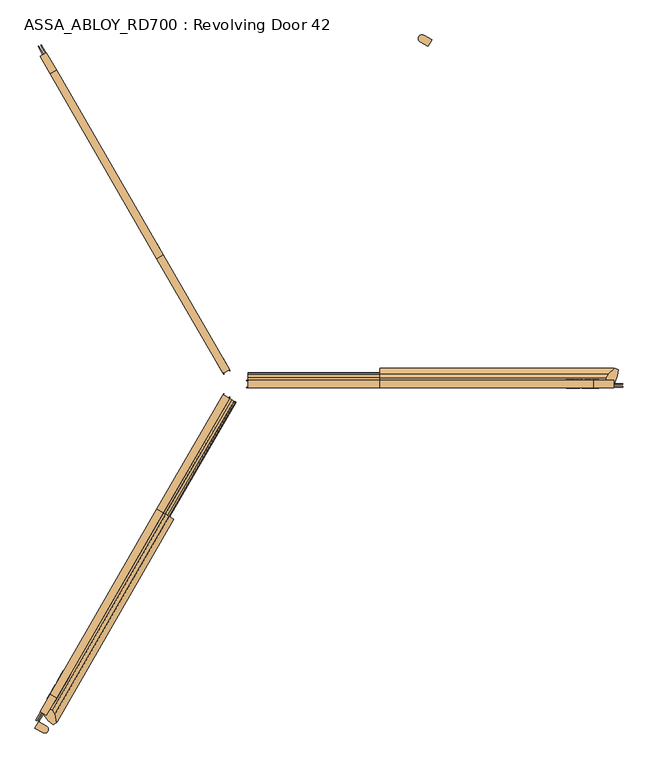
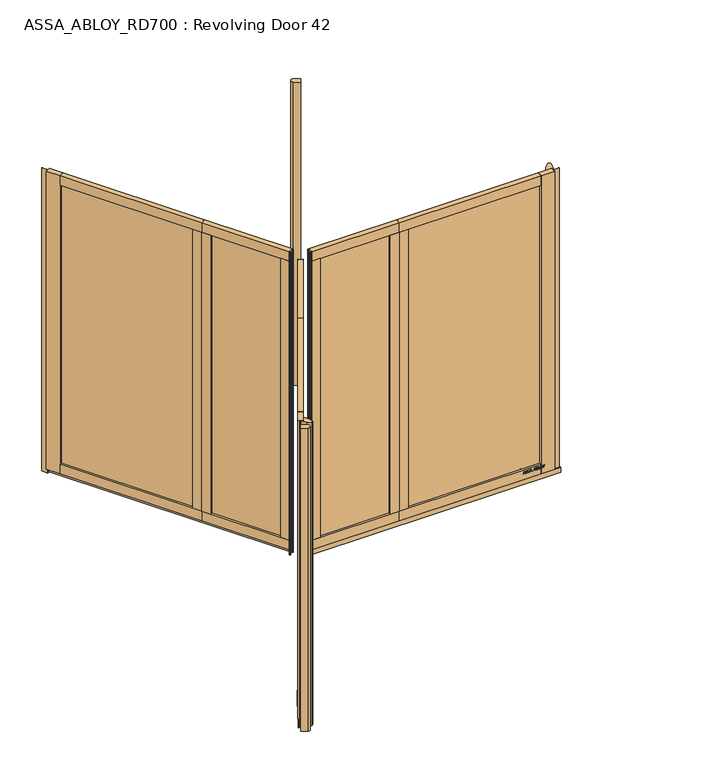
"""IFC4 building model written with IfcOpenShell, lengths in millimetres: door geometry, ASSA_ABLOY_RD700 : Revolving Door 42."""

from ifc_helpers import new_model, si_unit, point, frame, frame_2d, origin, origin_with_axes, origin_2d, place, context, project, spatial, polyline, circle_curve, trimmed, segment, composite_curve, outline, extrude, source, transform, mapped, element, save


def assa_abloy_rd700_revolving_door_42_c60bf62b(model_context):
    return source(origin(), model_context, "Body", "SweptSolid", [
        extrude(outline(composite_curve([segment(trimmed(circle_curve(origin_2d(), 2100.0), [point((-1050.0, -1818.6533479))], [point((-1006.4010686, -1843.1377836))], True, "CARTESIAN"), True, "CONTINUOUS"), segment(trimmed(circle_curve(frame_2d((-1016.8087591, -1860.2293376)), 20.011028), [point((-1006.4010686, -1843.1377836))], [point((-1026.4066339, -1877.7884391))], False, "CARTESIAN"), True, "CONTINUOUS"), segment(trimmed(circle_curve(origin_2d(), 2140.0), [point((-1026.4066339, -1877.7884391))], [point((-1070.0, -1853.2943641))], False, "CARTESIAN"), True, "CONTINUOUS"), segment(polyline([(-1070.0, -1853.2943641), (-1050.0, -1818.6533479)]), True, "CONTINUOUS")], self_intersect=False)), origin_with_axes(), (0.0, 0.0, 1.0), 2600.0),
        extrude(outline(composite_curve([segment(trimmed(circle_curve(origin_2d(), 2100.0), [point((1050.0, 1818.6533479))], [point((1006.4010686, 1843.1377836))], True, "CARTESIAN"), True, "CONTINUOUS"), segment(trimmed(circle_curve(frame_2d((1016.8087591, 1860.2293376)), 20.011028), [point((1006.4010686, 1843.1377836))], [point((1026.4066339, 1877.7884391))], False, "CARTESIAN"), True, "CONTINUOUS"), segment(trimmed(circle_curve(origin_2d(), 2140.0), [point((1026.4066339, 1877.7884391))], [point((1070.0, 1853.2943641))], False, "CARTESIAN"), True, "CONTINUOUS"), segment(polyline([(1070.0, 1853.2943641), (1050.0, 1818.6533479)]), True, "CONTINUOUS")], self_intersect=False)), origin_with_axes(), (0.0, 0.0, 1.0), 2600.0),
        extrude(outline(polyline([(-360.5155414, -620.9312417), (-50.5155414, -83.9954913), (-47.4844586, -85.7454878), (-357.4844586, -622.6812382), (-360.5155414, -620.9312417)])), frame((0.0, 0.0, 124.0), z_axis=(0.0, 0.0, 1.0), x_axis=(1.0, 0.0, 0.0)), (0.0, 0.0, 1.0), 2394.0),
        extrude(outline(polyline([(-971.5155414, -1679.2142851), (-433.5155414, -747.3709506), (-430.4844586, -749.1209471), (-968.4844586, -1680.9642816), (-971.5155414, -1679.2142851)])), frame((0.0, 0.0, 124.0), z_axis=(0.0, 0.0, 1.0), x_axis=(1.0, 0.0, 0.0)), (0.0, 0.0, 1.0), 2394.0),
        extrude(outline(polyline([(-952.6794919, -1690.0892833), (-987.3205081, -1670.0892833), (-412.8205081, -675.0260944), (-378.1794919, -695.0260944), (-952.6794919, -1690.0892833)])), frame((0.0, 0.0, 42.0), z_axis=(0.0, 0.0, 1.0), x_axis=(1.0, 0.0, 0.0)), (0.0, 0.0, 1.0), 82.0),
        extrude(outline(polyline([(-412.8205081, -675.0260944), (-378.1794919, -695.0260944), (-952.6794919, -1690.0892833), (-987.3205081, -1670.0892833), (-412.8205081, -675.0260944)])), frame((0.0, 0.0, 2518.0), z_axis=(0.0, 0.0, 1.0), x_axis=(1.0, 0.0, 0.0)), (0.0, 0.0, 1.0), 82.0),
        extrude(outline(polyline([(-378.1794919, -695.0260944), (-412.8205081, -675.0260944), (-376.3205081, -611.8062399), (-341.6794919, -631.8062399), (-378.1794919, -695.0260944)])), frame((0.0, 0.0, 124.0), z_axis=(0.0, 0.0, 1.0), x_axis=(1.0, 0.0, 0.0)), (0.0, 0.0, 1.0), 2394.0),
        extrude(outline(polyline([(-414.6794919, -758.2459489), (-449.3205081, -738.2459489), (-412.8205081, -675.0260944), (-378.1794919, -695.0260944), (-414.6794919, -758.2459489)])), frame((0.0, 0.0, 124.0), z_axis=(0.0, 0.0, 1.0), x_axis=(1.0, 0.0, 0.0)), (0.0, 0.0, 1.0), 2394.0),
        extrude(outline(polyline([(-24.2775681, -76.0499815), (-20.7775681, -69.9878037), (-18.1794919, -71.4878037), (-21.6794919, -77.5499815), (-24.2775681, -76.0499815)])), origin_with_axes(), (0.0, 0.0, 1.0), 2600.0),
        extrude(outline(polyline([(-56.6794919, -138.1717598), (-91.3205081, -118.1717598), (-56.3205081, -57.5499815), (-21.6794919, -77.5499815), (-56.6794919, -138.1717598)])), frame((0.0, 0.0, 124.0), z_axis=(0.0, 0.0, 1.0), x_axis=(1.0, 0.0, 0.0)), (0.0, 0.0, 1.0), 2394.0),
        extrude(outline(polyline([(-56.3205081, -57.5499815), (-21.6794919, -77.5499815), (-378.1794919, -695.0260944), (-412.8205081, -675.0260944), (-56.3205081, -57.5499815)])), frame((0.0, 0.0, 2518.0), z_axis=(0.0, 0.0, 1.0), x_axis=(1.0, 0.0, 0.0)), (0.0, 0.0, 1.0), 82.0),
        extrude(outline(polyline([(-987.3205081, -1670.0892833), (-952.6794919, -1690.0892833), (-1007.6794919, -1785.3520778), (-1042.3205081, -1765.3520778), (-987.3205081, -1670.0892833)])), frame((0.0, 0.0, 42.0), z_axis=(0.0, 0.0, 1.0), x_axis=(1.0, 0.0, 0.0)), (0.0, 0.0, 1.0), 2558.0),
        extrude(outline(polyline([(-1051.5155414, -1817.7783497), (-1026.5155414, -1774.4770795), (-1023.4844586, -1776.227076), (-1048.4844586, -1819.5283462), (-1051.5155414, -1817.7783497)])), origin_with_axes(), (0.0, 0.0, 1.0), 2600.0),
        extrude(outline(polyline([(-378.1794919, -695.0260944), (-412.8205081, -675.0260944), (-56.3205081, -57.5499815), (-21.6794919, -77.5499815), (-378.1794919, -695.0260944)])), frame((0.0, 0.0, 42.0), z_axis=(0.0, 0.0, 1.0), x_axis=(1.0, 0.0, 0.0)), (0.0, 0.0, 1.0), 82.0),
        extrude(outline(polyline([(-50.2224319, -52.9878037), (-53.7224319, -59.0499815), (-56.3205081, -57.5499815), (-52.8205081, -51.4878037), (-50.2224319, -52.9878037)])), origin_with_axes(), (0.0, 0.0, 1.0), 2600.0),
        extrude(outline(polyline([(-1064.7224319, -1810.1533479), (-53.7224319, -59.0499815), (-49.5655099, -61.4499815), (-1060.5655099, -1812.5533479), (-1064.7224319, -1810.1533479)])), origin_with_axes(), (0.0, 0.0, 1.0), 42.0),
        extrude(outline(polyline([(-21.1919362, 0.0), (0.0, 0.0), (1.2354289, -3.3526833), (-14.8894584, -17.1035441), (-15.8652682, -14.4554101), (-11.2716326, -10.6269535), (-14.2348715, -2.5853724), (-20.214336, -2.6529929), (-21.1919362, 0.0)]), holes=[polyline([(-11.7626281, -2.5849675), (-9.3848751, -9.0376682), (-1.6611384, -2.5160752), (-11.7626281, -2.5849675)])]), frame((-960.3315201, -1707.342985, 111.8848654), z_axis=(-0.8660254037844339, 0.5000000000000084, 0.0), x_axis=(-0.17288098849125705, -0.2994386557295809, 0.9383222555567716)), (0.0, 0.0, 1.0), 2.0),
        extrude(outline(polyline([(-3.5121291, 0.0), (0.0, 0.0), (2.8187321, -2.6852579), (4.250422, -5.1162245), (5.5118808, -7.3434952), (7.3063201, -9.1972246), (9.3614355, -9.1814983), (11.0208469, -7.1616301), (10.6514742, -3.4882218), (8.71119, 0.0484616), (6.0403681, 2.6484111), (9.0699595, 3.711135), (11.0920114, 1.0208016), (12.7977466, -2.5981572), (13.1300796, -8.3561656), (9.9996043, -11.7673439), (6.2388816, -11.6844271), (3.0893834, -8.4786223), (1.8238571, -6.2006453), (0.6628891, -4.2207409), (-0.9295188, -2.6144294), (-2.9863484, -2.6252693), (-4.8029446, -4.7524082), (-4.3562346, -8.76362), (-2.4447822, -12.1320668), (0.6567353, -15.0446472), (-2.5145629, -16.1570791), (-4.824798, -13.2083907), (-6.5093631, -9.6341389), (-7.2092232, -6.1919012), (-6.787432, -3.3659463), (-5.4926863, -1.2764387), (-3.5121291, 0.0)])), frame((-948.4666248, -1686.7923835, 100.999973), z_axis=(-0.8660254037844338, 0.5000000000000083, 0.0), x_axis=(-0.1655035508100891, -0.2866605588361252, 0.9436282629706535)), (0.0, 0.0, 1.0), 2.0),
        extrude(outline(polyline([(-3.5121291, 0.0), (0.0, 0.0), (2.8187321, -2.6852579), (4.250422, -5.1162245), (5.5118808, -7.3434952), (7.3063201, -9.1972246), (9.3614355, -9.1814983), (11.0208469, -7.1616301), (10.6514742, -3.4882218), (8.71119, 0.0484616), (6.0403681, 2.6484111), (9.0699595, 3.711135), (11.0920114, 1.0208016), (12.7977466, -2.5981572), (13.1300796, -8.3561656), (9.9996043, -11.7673439), (6.2388816, -11.6844271), (3.0893834, -8.4786223), (1.8238571, -6.2006453), (0.6628891, -4.2207409), (-0.9295188, -2.6144294), (-2.9863484, -2.6252693), (-4.8029446, -4.7524082), (-4.3562346, -8.76362), (-2.4447822, -12.1320668), (0.6567353, -15.0446472), (-2.5145629, -16.1570791), (-4.824798, -13.2083907), (-6.5093631, -9.6341389), (-7.2092232, -6.1919012), (-6.787432, -3.3659463), (-5.4926863, -1.2764387), (-3.5121291, 0.0)])), frame((-939.0213137, -1670.4326248, 100.999973), z_axis=(-0.8660254037844338, 0.5000000000000083, 0.0), x_axis=(-0.1655035508100891, -0.2866605588361252, 0.9436282629706535)), (0.0, 0.0, 1.0), 2.0),
        extrude(outline(polyline([(-21.1919362, 0.0), (0.0, 0.0), (1.2354289, -3.3526833), (-14.8894584, -17.1035441), (-15.8652682, -14.4554101), (-11.2716326, -10.6269535), (-14.2348715, -2.5853723), (-20.214336, -2.6529929), (-21.1919362, 0.0)]), holes=[polyline([(-11.7626281, -2.5849674), (-9.3848751, -9.0376682), (-1.6611384, -2.5160752), (-11.7626281, -2.5849674)])]), frame((-931.9955869, -1658.2637089, 111.8848654), z_axis=(-0.8660254037844339, 0.5000000000000084, 0.0), x_axis=(-0.17288098849125705, -0.2994386557295809, 0.9383222555567716)), (0.0, 0.0, 1.0), 2.0),
        extrude(outline(polyline([(-21.1919362, 0.0), (0.0, 0.0), (1.2354289, -3.3526833), (-14.8894584, -17.1035441), (-15.8652682, -14.4554101), (-11.2716326, -10.6269535), (-14.2348715, -2.5853724), (-20.214336, -2.6529929), (-21.1919362, 0.0)]), holes=[polyline([(-11.7626281, -2.5849675), (-9.3848751, -9.0376682), (-1.6611384, -2.5160752), (-11.7626281, -2.5849675)])]), frame((-917.7447666, -1633.5805642, 111.8848654), z_axis=(-0.8660254037844339, 0.5000000000000084, 0.0), x_axis=(-0.17288098849125705, -0.2994386557295809, 0.9383222555567716)), (0.0, 0.0, 1.0), 2.0),
        extrude(outline(polyline([(-3.6247797, -1e-07), (0.0, 0.0), (2.8147562, -2.4211002), (3.7068839, -0.0321766), (5.7320771, 1.441087), (7.9241126, 1.6554025), (9.8352432, 0.5920774), (11.1479956, -1.1951535), (12.3716711, -4.2930709), (14.3144162, -9.9880648), (-4.5055294, -16.4081519), (-6.8194358, -9.6251298), (-7.5842828, -6.2202288), (-7.204982, -3.4426963), (-5.9232413, -1.3859292), (-3.6247797, -1e-07)]), holes=[polyline([(5.2214253, -2.9241787), (4.7734732, -6.6552625), (5.9304264, -10.0467735), (11.2627443, -8.2277488), (10.1960736, -5.1008934), (9.3653605, -2.9303688), (5.2214253, -2.9241787)]), polyline([(-2.8765906, -2.5461079), (-4.3679308, -3.4351117), (-5.1102534, -4.8838351), (-5.1175974, -6.8751818), (-4.3362091, -9.7190964), (-3.1658807, -13.1498156), (3.734766, -10.7957837), (2.347091, -6.7279308), (1.5099769, -4.5787397), (0.5832315, -3.1932876), (-0.9746905, -2.2912471), (-2.8765906, -2.5461079)])]), frame((-905.5523407, -1612.4626629, 101.561824), z_axis=(-0.8660254037844338, 0.5000000000000084, 0.0), x_axis=(-0.16143149534182394, -0.27960755187385133, 0.9464457138403736)), (0.0, 0.0, 1.0), 2.0),
        extrude(outline(polyline([(-2.319901, 0.0), (0.0, 0.0), (0.0, -9.9424327), (17.5649644, -9.9424327), (17.5649644, -12.5937481), (-2.319901, -12.5937481), (-2.319901, 0.0)])), frame((-896.8475337, -1597.385495, 94.319901), z_axis=(-0.8660254037844338, 0.5000000000000084, 0.0), x_axis=(0.0, 0.0, 1.0)), (0.0, 0.0, 1.0), 2.0),
        extrude(outline(polyline([(-3.4755122, 0.0), (0.0, 0.0), (3.5095377, -1.5864764), (6.1998493, -4.2905332), (7.4345588, -7.5668217), (7.0812776, -11.3109182), (5.1361655, -15.2239686), (2.1257687, -18.4422905), (-1.2097864, -20.048671), (-4.7147757, -20.0502836), (-8.2007386, -18.4707048), (-10.9175762, -15.7640054), (-12.1283676, -12.475947), (-11.7934802, -8.7947164), (-9.8417791, -4.8358203), (-6.8343334, -1.6217536), (-3.4755122, 0.0)]), holes=[polyline([(-7.6631689, -6.3468237), (-9.5892893, -12.1951337), (-6.8871209, -16.5585186), (-1.8513939, -17.5618518), (2.9575554, -13.7129652), (4.8960978, -7.8921765), (2.1788995, -3.4868579), (-2.8864763, -2.494471), (-7.6631689, -6.3468237)])]), frame((-889.5706568, -1584.7815745, 111.5197917), z_axis=(-0.8660254037844339, 0.5000000000000084, 0.0), x_axis=(-0.4108545755708709, -0.7116209994108794, 0.5699070721880372)), (0.0, 0.0, 1.0), 2.0),
        extrude(outline(polyline([(-3.1691504, 0.0), (0.0, 0.0), (5.4320896, -8.8964059), (10.921141, 0.0), (14.0643996, 0.0), (6.7732823, -11.4441543), (6.7732823, -19.8848654), (4.1219669, -19.8848654), (4.1219669, -11.1645234), (-3.1691504, 0.0)])), frame((-879.0443651, -1566.5495024, 111.8848654), z_axis=(-0.8660254037844338, 0.5000000000000084, 0.0), x_axis=(-0.5000000000000084, -0.8660254037844338, 0.0)), (0.0, 0.0, 1.0), 2.0),
        extrude(outline(polyline([(21.1919362, 0.0), (20.214336, -2.6529929), (14.2348715, -2.5853723), (11.2716326, -10.6269535), (15.8652682, -14.4554101), (14.8894584, -17.103544), (-1.2354289, -3.3526833), (0.0, 0.0), (21.1919362, 0.0)]), holes=[polyline([(11.7626281, -2.5849674), (1.6611384, -2.5160752), (9.3848751, -9.0376682), (11.7626281, -2.5849674)])]), frame((-919.614485, -1552.8190114, 111.8848654), z_axis=(-0.866025403784437, 0.5000000000000029, 0.0), x_axis=(-0.17288098849125513, -0.299438655729582, -0.9383222555567716)), (0.0, 0.0, 1.0), 2.0),
        extrude(outline(polyline([(3.5121291, 0.0), (5.4926863, -1.2764387), (6.787432, -3.3659463), (7.2092232, -6.1919011), (6.5093631, -9.6341389), (4.8247981, -13.2083905), (2.5145629, -16.157079), (-0.6567352, -15.0446471), (2.4447823, -12.1320668), (4.3562346, -8.76362), (4.8029446, -4.7524081), (2.9863484, -2.6252692), (0.9295188, -2.6144293), (-0.6628891, -4.2207408), (-1.8238571, -6.2006452), (-3.0893834, -8.4786223), (-6.2388815, -11.6844271), (-9.9996043, -11.7673438), (-13.1300796, -8.3561656), (-12.7977466, -2.5981571), (-11.0920114, 1.0208017), (-9.0699595, 3.711135), (-6.0403681, 2.6484111), (-8.71119, 0.0484617), (-10.6514742, -3.4882218), (-11.0208469, -7.16163), (-9.3614355, -9.1814982), (-7.3063201, -9.1972245), (-5.5118807, -7.3434952), (-4.250422, -5.1162244), (-2.8187321, -2.6852579), (0.0, 0.0), (3.5121291, 0.0)])), frame((-931.4793803, -1573.3696129, 100.999973), z_axis=(-0.8660254037844372, 0.5000000000000029, 0.0), x_axis=(-0.16550355081008727, -0.28666055883612623, -0.9436282629706535)), (0.0, 0.0, 1.0), 2.0),
        extrude(outline(polyline([(3.5121291, 0.0), (5.4926863, -1.2764387), (6.787432, -3.3659463), (7.2092232, -6.1919011), (6.5093631, -9.6341389), (4.8247981, -13.2083906), (2.5145629, -16.157079), (-0.6567352, -15.0446471), (2.4447823, -12.1320668), (4.3562346, -8.76362), (4.8029446, -4.7524081), (2.9863484, -2.6252693), (0.9295188, -2.6144293), (-0.6628891, -4.2207409), (-1.8238571, -6.2006453), (-3.0893834, -8.4786223), (-6.2388815, -11.6844271), (-9.9996043, -11.7673438), (-13.1300796, -8.3561656), (-12.7977466, -2.5981571), (-11.0920114, 1.0208017), (-9.0699595, 3.711135), (-6.0403681, 2.6484111), (-8.71119, 0.0484617), (-10.6514742, -3.4882218), (-11.0208469, -7.16163), (-9.3614355, -9.1814982), (-7.3063201, -9.1972245), (-5.5118807, -7.3434952), (-4.250422, -5.1162244), (-2.8187321, -2.6852579), (0.0, 0.0), (3.5121291, 0.0)])), frame((-940.9246914, -1589.7293716, 100.999973), z_axis=(-0.8660254037844372, 0.5000000000000029, 0.0), x_axis=(-0.16550355081008727, -0.28666055883612623, -0.9436282629706535)), (0.0, 0.0, 1.0), 2.0),
        extrude(outline(polyline([(21.1919362, 0.0), (20.214336, -2.6529929), (14.2348715, -2.5853724), (11.2716326, -10.6269535), (15.8652682, -14.4554101), (14.8894584, -17.1035441), (-1.2354289, -3.3526833), (0.0, 0.0), (21.1919362, 0.0)]), holes=[polyline([(11.7626281, -2.5849675), (1.6611384, -2.5160752), (9.3848751, -9.0376682), (11.7626281, -2.5849675)])]), frame((-947.9504183, -1601.8982875, 111.8848654), z_axis=(-0.866025403784437, 0.5000000000000029, 0.0), x_axis=(-0.17288098849125513, -0.299438655729582, -0.9383222555567716)), (0.0, 0.0, 1.0), 2.0),
        extrude(outline(polyline([(21.1919362, 0.0), (20.214336, -2.6529929), (14.2348715, -2.5853723), (11.2716326, -10.6269535), (15.8652682, -14.4554101), (14.8894584, -17.103544), (-1.2354289, -3.3526833), (0.0, 0.0), (21.1919362, 0.0)]), holes=[polyline([(11.7626281, -2.5849674), (1.6611384, -2.5160752), (9.3848751, -9.0376682), (11.7626281, -2.5849674)])]), frame((-962.2012385, -1626.5814322, 111.8848654), z_axis=(-0.866025403784437, 0.5000000000000029, 0.0), x_axis=(-0.17288098849125513, -0.299438655729582, -0.9383222555567716)), (0.0, 0.0, 1.0), 2.0),
        extrude(outline(polyline([(3.6247797, -1e-07), (5.9232413, -1.3859292), (7.204982, -3.4426963), (7.5842828, -6.2202288), (6.8194358, -9.6251298), (4.5055294, -16.408152), (-14.3144162, -9.9880649), (-12.3716711, -4.2930708), (-11.1479956, -1.1951535), (-9.8352433, 0.5920774), (-7.9241126, 1.6554024), (-5.7320771, 1.441087), (-3.7068839, -0.0321766), (-2.8147562, -2.4211002), (0.0, 0.0), (3.6247797, -1e-07)]), holes=[polyline([(-5.2214253, -2.9241787), (-9.3653605, -2.9303688), (-10.1960736, -5.1008933), (-11.2627443, -8.2277489), (-5.9304264, -10.0467736), (-4.7734732, -6.6552625), (-5.2214253, -2.9241787)]), polyline([(2.8765906, -2.5461079), (0.9746905, -2.291247), (-0.5832315, -3.1932876), (-1.5099769, -4.5787397), (-2.347091, -6.7279309), (-3.7347661, -10.7957837), (3.1658807, -13.1498157), (4.3362091, -9.7190964), (5.1175974, -6.8751818), (5.1102533, -4.8838352), (4.3679308, -3.4351118), (2.8765906, -2.5461079)])]), frame((-974.3936645, -1647.6993335, 101.561824), z_axis=(-0.8660254037844369, 0.5000000000000028, 0.0), x_axis=(-0.16143149534182213, -0.2796075518738524, -0.9464457138403736)), (0.0, 0.0, 1.0), 2.0),
        extrude(outline(polyline([(2.319901, 0.0), (2.319901, -12.5937481), (-17.5649644, -12.5937481), (-17.5649644, -9.9424327), (0.0, -9.9424327), (0.0, 0.0), (2.319901, 0.0)])), frame((-983.0984715, -1662.7765014, 94.319901), z_axis=(-0.866025403784437, 0.5000000000000029, 0.0), x_axis=(0.0, 0.0, -1.0)), (0.0, 0.0, 1.0), 2.0),
        extrude(outline(polyline([(3.4755123, 0.0), (6.8343334, -1.6217536), (9.8417791, -4.8358203), (11.7934802, -8.7947164), (12.1283676, -12.475947), (10.9175762, -15.7640054), (8.2007386, -18.4707048), (4.7147757, -20.0502836), (1.2097864, -20.048671), (-2.1257686, -18.4422905), (-5.1361655, -15.2239686), (-7.0812776, -11.3109182), (-7.4345587, -7.5668216), (-6.1998493, -4.2905332), (-3.5095377, -1.5864764), (0.0, 0.0), (3.4755123, 0.0)]), holes=[polyline([(7.663169, -6.3468237), (2.8864763, -2.494471), (-2.1788995, -3.4868579), (-4.8960978, -7.8921765), (-2.9575554, -13.7129652), (1.8513939, -17.5618518), (6.8871209, -16.5585186), (9.5892894, -12.1951337), (7.663169, -6.3468237)])]), frame((-990.3753483, -1675.3804219, 111.5197917), z_axis=(-0.866025403784437, 0.5000000000000028, 0.0), x_axis=(-0.4108545755708663, -0.7116209994108821, -0.5699070721880372)), (0.0, 0.0, 1.0), 2.0),
        extrude(outline(polyline([(3.1691504, 0.0), (-4.121967, -11.1645234), (-4.121967, -19.8848654), (-6.7732823, -19.8848654), (-6.7732823, -11.4441543), (-14.0643996, 0.0), (-10.921141, 0.0), (-5.4320896, -8.8964059), (0.0, 0.0), (3.1691504, 0.0)])), frame((-1000.9016401, -1693.612494, 111.8848654), z_axis=(-0.866025403784437, 0.5000000000000029, 0.0), x_axis=(-0.5000000000000029, -0.866025403784437, 0.0)), (0.0, 0.0, 1.0), 2.0),
        extrude(outline(polyline([(26.6515221, 0.0), (-24.0034278, -19.9844491), (-57.4313185, -25.5557642), (-65.7800894, -7.1605958), (-35.4734857, 27.0878672), (-13.9731118, 39.4978266), (0.0, 39.5498894), (0.0, 0.0), (26.6515221, 0.0)])), frame((-1007.6794919, -1785.3520778, 42.0), z_axis=(0.5000000000000028, 0.8660254037844372, 0.0), x_axis=(-0.8660254037844372, 0.5000000000000028, 0.0)), (0.0, 0.0, 1.0), 1259.0),
        extrude(outline(polyline([(33.1204549, 0.0), (-29.2477892, -28.4956234), (-41.1595702, -16.5838424), (-37.5120241, 2.8258245), (-28.8456008, 22.8930528), (-13.0431774, 37.4022447), (0.0, 37.4557851), (0.0, 0.0), (33.1204549, 0.0)])), frame((-378.1794919, -695.0260944, 42.0), z_axis=(0.5000000000000028, 0.8660254037844372, 0.0), x_axis=(-0.8660254037844372, 0.5000000000000028, 0.0)), (0.0, 0.0, 1.0), 713.0),
        extrude(outline(polyline([(-1030.7603871, -1772.0263167), (-1007.6794919, -1785.3520778), (-987.9045472, -1751.1008688), (-975.8295087, -1758.1325124), (-963.4146184, -1779.6300395), (-954.2925614, -1824.4433803), (-970.7203932, -1836.199678), (-996.8841382, -1814.6608322), (-1030.7603871, -1772.0263167)])), origin_with_axes(), (0.0, 0.0, 1.0), 2600.0),
        extrude(outline(polyline([(718.0, -1.7499965), (98.0, -1.7499965), (98.0, 1.7499965), (718.0, 1.7499965), (718.0, -1.7499965)])), frame((0.0, 0.0, 124.0), z_axis=(0.0, 0.0, 1.0), x_axis=(1.0, 0.0, 0.0)), (0.0, 0.0, 1.0), 2394.0),
        extrude(outline(polyline([(1940.0, -1.7499965), (864.0, -1.7499965), (864.0, 1.7499965), (1940.0, 1.7499965), (1940.0, -1.7499965)])), frame((0.0, 0.0, 124.0), z_axis=(0.0, 0.0, 1.0), x_axis=(1.0, 0.0, 0.0)), (0.0, 0.0, 1.0), 2394.0),
        extrude(outline(polyline([(1940.0, 20.0), (1940.0, -20.0), (791.0, -20.0), (791.0, 20.0), (1940.0, 20.0)])), frame((0.0, 0.0, 42.0), z_axis=(0.0, 0.0, 1.0), x_axis=(1.0, 0.0, 0.0)), (0.0, 0.0, 1.0), 82.0),
        extrude(outline(polyline([(791.0, -20.0), (791.0, 20.0), (1940.0, 20.0), (1940.0, -20.0), (791.0, -20.0)])), frame((0.0, 0.0, 2518.0), z_axis=(0.0, 0.0, 1.0), x_axis=(1.0, 0.0, 0.0)), (0.0, 0.0, 1.0), 82.0),
        extrude(outline(polyline([(791.0, 20.0), (791.0, -20.0), (718.0, -20.0), (718.0, 20.0), (791.0, 20.0)])), frame((0.0, 0.0, 124.0), z_axis=(0.0, 0.0, 1.0), x_axis=(1.0, 0.0, 0.0)), (0.0, 0.0, 1.0), 2394.0),
        extrude(outline(polyline([(864.0, 20.0), (864.0, -20.0), (791.0, -20.0), (791.0, 20.0), (864.0, 20.0)])), frame((0.0, 0.0, 124.0), z_axis=(0.0, 0.0, 1.0), x_axis=(1.0, 0.0, 0.0)), (0.0, 0.0, 1.0), 2394.0),
        extrude(outline(polyline([(78.0, 17.0), (71.0, 17.0), (71.0, 20.0), (78.0, 20.0), (78.0, 17.0)])), origin_with_axes(), (0.0, 0.0, 1.0), 2600.0),
        extrude(outline(polyline([(148.0, 20.0), (148.0, -20.0), (78.0, -20.0), (78.0, 20.0), (148.0, 20.0)])), frame((0.0, 0.0, 124.0), z_axis=(0.0, 0.0, 1.0), x_axis=(1.0, 0.0, 0.0)), (0.0, 0.0, 1.0), 2394.0),
        extrude(outline(polyline([(78.0, -20.0), (78.0, 20.0), (791.0, 20.0), (791.0, -20.0), (78.0, -20.0)])), frame((0.0, 0.0, 2518.0), z_axis=(0.0, 0.0, 1.0), x_axis=(1.0, 0.0, 0.0)), (0.0, 0.0, 1.0), 82.0),
        extrude(outline(polyline([(1940.0, -20.0), (1940.0, 20.0), (2050.0, 20.0), (2050.0, -20.0), (1940.0, -20.0)])), frame((0.0, 0.0, 42.0), z_axis=(0.0, 0.0, 1.0), x_axis=(1.0, 0.0, 0.0)), (0.0, 0.0, 1.0), 2558.0),
        extrude(outline(polyline([(2100.0, -1.7499965), (2050.0, -1.7499965), (2050.0, 1.7499965), (2100.0, 1.7499965), (2100.0, -1.7499965)])), origin_with_axes(), (0.0, 0.0, 1.0), 2600.0),
        extrude(outline(polyline([(791.0, 20.0), (791.0, -20.0), (78.0, -20.0), (78.0, 20.0), (791.0, 20.0)])), frame((0.0, 0.0, 42.0), z_axis=(0.0, 0.0, 1.0), x_axis=(1.0, 0.0, 0.0)), (0.0, 0.0, 1.0), 82.0),
        extrude(outline(polyline([(71.0, -17.0), (78.0, -17.0), (78.0, -20.0), (71.0, -20.0), (71.0, -17.0)])), origin_with_axes(), (0.0, 0.0, 1.0), 2600.0),
        extrude(outline(polyline([(2100.0, -17.0), (78.0, -17.0), (78.0, -12.2), (2100.0, -12.2), (2100.0, -17.0)])), origin_with_axes(), (0.0, 0.0, 1.0), 42.0),
        extrude(outline(polyline([(92.0, 1951.4407922), (92.0, 1954.2681716), (97.6340452, 1956.2721931), (97.6340452, 1964.842363), (92.0, 1966.8463846), (92.0, 1969.6685856), (111.8848654, 1962.3412198), (111.8848654, 1958.768158), (92.0, 1951.4407922)]), holes=[polyline([(99.9539462, 1957.126621), (109.4562191, 1960.5546889), (99.9539462, 1964.0034703), (99.9539462, 1957.126621)])]), frame((0.0, 20.0, 0.0), z_axis=(0.0, 1.0, 0.0), x_axis=(0.0, 0.0, 1.0)), (0.0, 0.0, 1.0), 2.0),
        extrude(outline(polyline([(97.6858287, 1933.8758278), (95.3944087, 1934.4247329), (93.4810082, 1935.9678813), (92.147583, 1938.4949163), (91.6685856, 1941.9747678), (92.0750861, 1945.9051357), (93.2790525, 1949.4523057), (96.6398019, 1949.4523057), (94.6772071, 1945.6772883), (93.9884865, 1941.8660224), (94.8946979, 1937.9330653), (97.3129875, 1936.5271432), (99.2574581, 1937.1977395), (100.2283987, 1939.2405988), (100.6685585, 1941.4931812), (101.1087183, 1944.061643), (103.0195296, 1948.1292372), (106.5408079, 1949.4523057), (110.6239371, 1947.269631), (112.2162799, 1941.7262069), (111.804601, 1937.7466447), (110.7870552, 1934.5386566), (107.5764779, 1934.5386566), (109.2361392, 1937.8761034), (109.8963789, 1941.8556657), (109.0290052, 1945.4442625), (106.794547, 1946.8009903), (104.8500765, 1946.1355723), (103.7703904, 1943.7923687), (103.3172847, 1941.2731013), (102.7709688, 1938.505273), (100.999973, 1935.0383674), (97.6858287, 1933.8758278)])), frame((0.0, 20.0, 0.0), z_axis=(0.0, 1.0, 0.0), x_axis=(0.0, 0.0, 1.0)), (0.0, 0.0, 1.0), 2.0),
        extrude(outline(polyline([(97.6858287, 1914.9852056), (95.3944087, 1915.5341107), (93.4810082, 1917.0772591), (92.147583, 1919.6042941), (91.6685856, 1923.0841456), (92.0750861, 1927.0145135), (93.2790525, 1930.5616835), (96.6398019, 1930.5616835), (94.6772071, 1926.7866661), (93.9884865, 1922.9754002), (94.8946979, 1919.0424431), (97.3129875, 1917.636521), (99.2574581, 1918.3071174), (100.2283987, 1920.3499766), (100.6685585, 1922.602559), (101.1087183, 1925.1710208), (103.0195296, 1929.238615), (106.5408079, 1930.5616835), (110.6239371, 1928.3790088), (112.2162799, 1922.8355848), (111.804601, 1918.8560225), (110.7870552, 1915.6480344), (107.5764779, 1915.6480344), (109.2361392, 1918.9854813), (109.8963789, 1922.9650435), (109.0290052, 1926.5536403), (106.794547, 1927.9103681), (104.8500765, 1927.2449501), (103.7703904, 1924.9017466), (103.3172847, 1922.3824791), (102.7709688, 1919.6146508), (100.999973, 1916.1477453), (97.6858287, 1914.9852056)])), frame((0.0, 20.0, 0.0), z_axis=(0.0, 1.0, 0.0), x_axis=(0.0, 0.0, 1.0)), (0.0, 0.0, 1.0), 2.0),
        extrude(outline(polyline([(92.0, 1894.7689257), (92.0, 1897.596305), (97.6340452, 1899.6003266), (97.6340452, 1908.1704965), (92.0, 1910.1745181), (92.0, 1912.996719), (111.8848654, 1905.6693533), (111.8848654, 1902.0962915), (92.0, 1894.7689257)]), holes=[polyline([(99.9539462, 1900.4547544), (109.4562191, 1903.8828224), (99.9539462, 1907.3316037), (99.9539462, 1900.4547544)])]), frame((0.0, 20.0, 0.0), z_axis=(0.0, 1.0, 0.0), x_axis=(0.0, 0.0, 1.0)), (0.0, 0.0, 1.0), 2.0),
        extrude(outline(polyline([(92.0, 1866.2672852), (92.0, 1869.0946645), (97.6340452, 1871.0986861), (97.6340452, 1879.668856), (92.0, 1881.6728776), (92.0, 1884.4950786), (111.8848654, 1877.1677128), (111.8848654, 1873.594651), (92.0, 1866.2672852)]), holes=[polyline([(99.9539462, 1871.953114), (109.4562191, 1875.3811819), (99.9539462, 1878.8299633), (99.9539462, 1871.953114)])]), frame((0.0, 20.0, 0.0), z_axis=(0.0, 1.0, 0.0), x_axis=(0.0, 0.0, 1.0)), (0.0, 0.0, 1.0), 2.0),
        extrude(outline(polyline([(98.1311668, 1848.0394919), (95.5083324, 1848.6091105), (93.6311804, 1850.1419022), (92.3754304, 1852.6482237), (92.0, 1856.1177185), (92.0, 1863.2845554), (111.8848654, 1863.2845554), (111.8848654, 1857.2673123), (111.7269258, 1853.9402222), (111.0615077, 1851.824866), (109.5960346, 1850.2014532), (107.4521975, 1849.696564), (105.0597997, 1850.4370681), (103.4441543, 1852.4100196), (101.561824, 1849.2097991), (98.1311668, 1848.0394919)]), holes=[polyline([(105.5595105, 1853.6631804), (109.4795217, 1855.0069623), (109.5649645, 1857.3294525), (109.5649645, 1860.63324), (103.9309193, 1860.63324), (103.9309193, 1857.0498216), (105.5595105, 1853.6631804)]), polyline([(98.0172431, 1850.6908073), (99.8995735, 1851.0636485), (101.0828266, 1852.4203763), (101.5126296, 1854.0308433), (101.6110183, 1856.3352092), (101.6110183, 1860.63324), (94.319901, 1860.63324), (94.319901, 1857.0083948), (94.4985541, 1854.0645026), (95.148437, 1852.1821722), (96.3187442, 1851.0507027), (98.0172431, 1850.6908073)])]), frame((0.0, 20.0, 0.0), z_axis=(0.0, 1.0, 0.0), x_axis=(0.0, 0.0, 1.0)), (0.0, 0.0, 1.0), 2.0),
        extrude(outline(polyline([(92.0, 1831.8001851), (92.0, 1844.3939332), (111.8848654, 1844.3939332), (111.8848654, 1841.7426179), (94.319901, 1841.7426179), (94.319901, 1831.8001851), (92.0, 1831.8001851)])), frame((0.0, 20.0, 0.0), z_axis=(0.0, 1.0, 0.0), x_axis=(0.0, 0.0, 1.0)), (0.0, 0.0, 1.0), 2.0),
        extrude(outline(polyline([(109.5390727, 1814.3905712), (106.292247, 1812.554846), (101.9372544, 1811.9153197), (97.571905, 1812.5677918), (94.3561494, 1814.3905712), (92.3443603, 1817.2593773), (91.6685856, 1821.0343947), (92.3573062, 1824.7990554), (94.3561494, 1827.6782182), (97.5770834, 1829.5035867), (101.9372544, 1830.143113), (106.2611769, 1829.5113543), (109.5390727, 1827.6678615), (111.5275593, 1824.7861095), (112.2162799, 1821.0343947), (111.5197917, 1817.2464314), (109.5390727, 1814.3905712)]), holes=[polyline([(101.9372544, 1814.5666351), (107.8250388, 1816.2962041), (109.8963789, 1821.024038), (107.8250388, 1825.7674069), (101.9372544, 1827.4917976), (96.0339349, 1825.7337477), (93.9884865, 1821.024038), (96.0339349, 1816.3169175), (101.9372544, 1814.5666351)])]), frame((0.0, 20.0, 0.0), z_axis=(0.0, 1.0, 0.0), x_axis=(0.0, 0.0, 1.0)), (0.0, 0.0, 1.0), 2.0),
        extrude(outline(polyline([(111.8848654, 1793.0246975), (100.720342, 1800.3158148), (92.0, 1800.3158148), (92.0, 1802.9671302), (100.4407111, 1802.9671302), (111.8848654, 1810.2582476), (111.8848654, 1807.1149889), (102.9884595, 1801.6259375), (111.8848654, 1796.1938479), (111.8848654, 1793.0246975)])), frame((0.0, 20.0, 0.0), z_axis=(0.0, 1.0, 0.0), x_axis=(0.0, 0.0, 1.0)), (0.0, 0.0, 1.0), 2.0),
        extrude(outline(polyline([(92.0, 1811.9153197), (111.8848654, 1804.5879539), (111.8848654, 1801.0148921), (92.0, 1793.6875264), (92.0, 1796.5097273), (97.6340452, 1798.5137489), (97.6340452, 1807.0839188), (92.0, 1809.0879404), (92.0, 1811.9153197)]), holes=[polyline([(99.9539462, 1806.229491), (99.9539462, 1799.3526417), (109.4562191, 1802.801423), (99.9539462, 1806.229491)])]), frame((0.0, -22.0, 0.0), z_axis=(0.0, 1.0, 0.0), x_axis=(0.0, 0.0, 1.0)), (0.0, 0.0, 1.0), 2.0),
        extrude(outline(polyline([(97.6858287, 1829.4802842), (100.999973, 1828.3177445), (102.7709688, 1824.8508389), (103.3172847, 1822.0830106), (103.7703904, 1819.5637432), (104.8500765, 1817.2205396), (106.794547, 1816.5551216), (109.0290052, 1817.9118494), (109.8963789, 1821.5004462), (109.2361392, 1825.4800085), (107.5764779, 1828.8174553), (110.7870552, 1828.8174553), (111.804601, 1825.6094673), (112.2162799, 1821.629905), (110.6239371, 1816.0864809), (106.5408079, 1813.9038062), (103.0195296, 1815.2268747), (101.1087183, 1819.294469), (100.6685585, 1821.8629308), (100.2283987, 1824.1155132), (99.2574581, 1826.1583724), (97.3129875, 1826.8289688), (94.8946979, 1825.4230466), (93.9884865, 1821.4900895), (94.6772071, 1817.6788237), (96.6398019, 1813.9038062), (93.2790525, 1813.9038062), (92.0750861, 1817.4509762), (91.6685856, 1821.3813442), (92.147583, 1824.8611956), (93.4810082, 1827.3882306), (95.3944087, 1828.931379), (97.6858287, 1829.4802842)])), frame((0.0, -22.0, 0.0), z_axis=(0.0, 1.0, 0.0), x_axis=(0.0, 0.0, 1.0)), (0.0, 0.0, 1.0), 2.0),
        extrude(outline(polyline([(97.6858287, 1848.3709063), (100.999973, 1847.2083667), (102.7709688, 1843.7414611), (103.3172847, 1840.9736328), (103.7703904, 1838.4543654), (104.8500765, 1836.1111618), (106.794547, 1835.4457438), (109.0290052, 1836.8024716), (109.8963789, 1840.3910684), (109.2361392, 1844.3706307), (107.5764779, 1847.7080775), (110.7870552, 1847.7080775), (111.804601, 1844.5000894), (112.2162799, 1840.5205272), (110.6239371, 1834.9771031), (106.5408079, 1832.7944284), (103.0195296, 1834.1174969), (101.1087183, 1838.1850911), (100.6685585, 1840.7535529), (100.2283987, 1843.0061353), (99.2574581, 1845.0489946), (97.3129875, 1845.7195909), (94.8946979, 1844.3136688), (93.9884865, 1840.3807117), (94.6772071, 1836.5694458), (96.6398019, 1832.7944284), (93.2790525, 1832.7944284), (92.0750861, 1836.3415984), (91.6685856, 1840.2719663), (92.147583, 1843.7518178), (93.4810082, 1846.2788528), (95.3944087, 1847.8220012), (97.6858287, 1848.3709063)])), frame((0.0, -22.0, 0.0), z_axis=(0.0, 1.0, 0.0), x_axis=(0.0, 0.0, 1.0)), (0.0, 0.0, 1.0), 2.0),
        extrude(outline(polyline([(92.0, 1868.5871862), (111.8848654, 1861.2598204), (111.8848654, 1857.6867587), (92.0, 1850.3593929), (92.0, 1853.1815938), (97.6340452, 1855.1856154), (97.6340452, 1863.7557853), (92.0, 1865.7598069), (92.0, 1868.5871862)]), holes=[polyline([(99.9539462, 1862.9013575), (99.9539462, 1856.0245082), (109.4562191, 1859.4732895), (99.9539462, 1862.9013575)])]), frame((0.0, -22.0, 0.0), z_axis=(0.0, 1.0, 0.0), x_axis=(0.0, 0.0, 1.0)), (0.0, 0.0, 1.0), 2.0),
        extrude(outline(polyline([(92.0, 1897.0888267), (111.8848654, 1889.7614609), (111.8848654, 1886.1883991), (92.0, 1878.8610334), (92.0, 1881.6832343), (97.6340452, 1883.6872559), (97.6340452, 1892.2574258), (92.0, 1894.2614474), (92.0, 1897.0888267)]), holes=[polyline([(99.9539462, 1891.402998), (99.9539462, 1884.5261487), (109.4562191, 1887.97493), (99.9539462, 1891.402998)])]), frame((0.0, -22.0, 0.0), z_axis=(0.0, 1.0, 0.0), x_axis=(0.0, 0.0, 1.0)), (0.0, 0.0, 1.0), 2.0),
        extrude(outline(polyline([(98.1311668, 1915.31662), (101.561824, 1914.1463128), (103.4441543, 1910.9460923), (105.0597997, 1912.9190438), (107.4521975, 1913.6595479), (109.5960346, 1913.1546587), (111.0615077, 1911.5312459), (111.7269258, 1909.4158898), (111.8848654, 1906.0887996), (111.8848654, 1900.0715565), (92.0, 1900.0715565), (92.0, 1907.2383934), (92.3754304, 1910.7078882), (93.6311804, 1913.2142098), (95.5083324, 1914.7470015), (98.1311668, 1915.31662)]), holes=[polyline([(105.5595105, 1909.6929315), (103.9309193, 1906.3062904), (103.9309193, 1902.7228719), (109.5649645, 1902.7228719), (109.5649645, 1906.0266594), (109.4795217, 1908.3491496), (105.5595105, 1909.6929315)]), polyline([(98.0172431, 1912.6653046), (96.3187442, 1912.3054093), (95.148437, 1911.1739397), (94.4985541, 1909.2916094), (94.319901, 1906.3477172), (94.319901, 1902.7228719), (101.6110183, 1902.7228719), (101.6110183, 1907.0209027), (101.5126296, 1909.3252686), (101.0828266, 1910.9357356), (99.8995735, 1912.2924634), (98.0172431, 1912.6653046)])]), frame((0.0, -22.0, 0.0), z_axis=(0.0, 1.0, 0.0), x_axis=(0.0, 0.0, 1.0)), (0.0, 0.0, 1.0), 2.0),
        extrude(outline(polyline([(92.0, 1931.5559268), (94.319901, 1931.5559268), (94.319901, 1921.6134941), (111.8848654, 1921.6134941), (111.8848654, 1918.9621787), (92.0, 1918.9621787), (92.0, 1931.5559268)])), frame((0.0, -22.0, 0.0), z_axis=(0.0, 1.0, 0.0), x_axis=(0.0, 0.0, 1.0)), (0.0, 0.0, 1.0), 2.0),
        extrude(outline(polyline([(109.5390727, 1948.9655408), (111.5197917, 1946.1096805), (112.2162799, 1942.3217172), (111.5275593, 1938.5700024), (109.5390727, 1935.6882504), (106.2611769, 1933.8447577), (101.9372544, 1933.2129989), (97.5770834, 1933.8525252), (94.3561494, 1935.6778937), (92.3573062, 1938.5570565), (91.6685856, 1942.3217172), (92.3443603, 1946.0967347), (94.3561494, 1948.9655408), (97.571905, 1950.7883201), (101.9372544, 1951.4407922), (106.292247, 1950.801266), (109.5390727, 1948.9655408)]), holes=[polyline([(101.9372544, 1948.7894769), (96.0339349, 1947.0391944), (93.9884865, 1942.3320739), (96.0339349, 1937.6223643), (101.9372544, 1935.8643143), (107.8250388, 1937.588705), (109.8963789, 1942.3320739), (107.8250388, 1947.0599078), (101.9372544, 1948.7894769)])]), frame((0.0, -22.0, 0.0), z_axis=(0.0, 1.0, 0.0), x_axis=(0.0, 0.0, 1.0)), (0.0, 0.0, 1.0), 2.0),
        extrude(outline(polyline([(111.8848654, 1970.3314144), (111.8848654, 1967.162264), (102.9884595, 1961.7301744), (111.8848654, 1956.241123), (111.8848654, 1953.0978644), (100.4407111, 1960.3889817), (92.0, 1960.3889817), (92.0, 1963.0402971), (100.720342, 1963.0402971), (111.8848654, 1970.3314144)])), frame((0.0, -22.0, 0.0), z_axis=(0.0, 1.0, 0.0), x_axis=(0.0, 0.0, 1.0)), (0.0, 0.0, 1.0), 2.0),
        extrude(outline(polyline([(-6.6515221, 42.0), (20.0, 42.0), (20.0, 81.5498894), (33.9731119, 81.4978266), (55.4734858, 69.0878672), (85.7800894, 34.8394042), (77.4313185, 16.4442358), (44.0034278, 22.0155509), (-6.6515221, 42.0)])), frame((791.0, 0.0, 0.0), z_axis=(1.0, 0.0, 0.0), x_axis=(0.0, 1.0, 0.0)), (0.0, 0.0, 1.0), 1259.0),
        extrude(outline(polyline([(-13.1204549, 42.0), (20.0, 42.0), (20.0, 79.4557851), (33.0431775, 79.4022447), (48.8456009, 64.8930528), (57.5120241, 44.8258245), (61.1595703, 25.4161576), (49.2477893, 13.5043766), (-13.1204549, 42.0)])), frame((78.0, 0.0, 0.0), z_axis=(1.0, 0.0, 0.0), x_axis=(0.0, 1.0, 0.0)), (0.0, 0.0, 1.0), 713.0),
        extrude(outline(polyline([(2050.0, -6.6515221), (2050.0, 20.0), (2010.4501106, 20.0), (2010.5021734, 33.9731119), (2022.9121328, 55.4734858), (2057.1605958, 85.7800894), (2075.5557642, 77.4313185), (2069.9844491, 44.0034278), (2050.0, -6.6515221)])), origin_with_axes(), (0.0, 0.0, 1.0), 2600.0),
        extrude(outline(polyline([(-357.4844586, 622.6812382), (-47.4844586, 85.7454878), (-50.5155414, 83.9954913), (-360.5155414, 620.9312417), (-357.4844586, 622.6812382)])), frame((0.0, 0.0, 124.0), z_axis=(0.0, 0.0, 1.0), x_axis=(1.0, 0.0, 0.0)), (0.0, 0.0, 1.0), 2394.0),
        extrude(outline(polyline([(-968.4844586, 1680.9642816), (-430.4844586, 749.1209471), (-433.5155414, 747.3709506), (-971.5155414, 1679.2142851), (-968.4844586, 1680.9642816)])), frame((0.0, 0.0, 124.0), z_axis=(0.0, 0.0, 1.0), x_axis=(1.0, 0.0, 0.0)), (0.0, 0.0, 1.0), 2394.0),
        extrude(outline(polyline([(-987.3205081, 1670.0892833), (-952.6794919, 1690.0892833), (-378.1794919, 695.0260944), (-412.8205081, 675.0260944), (-987.3205081, 1670.0892833)])), frame((0.0, 0.0, 42.0), z_axis=(0.0, 0.0, 1.0), x_axis=(1.0, 0.0, 0.0)), (0.0, 0.0, 1.0), 82.0),
        extrude(outline(polyline([(-378.1794919, 695.0260944), (-412.8205081, 675.0260944), (-987.3205081, 1670.0892833), (-952.6794919, 1690.0892833), (-378.1794919, 695.0260944)])), frame((0.0, 0.0, 2518.0), z_axis=(0.0, 0.0, 1.0), x_axis=(1.0, 0.0, 0.0)), (0.0, 0.0, 1.0), 82.0),
        extrude(outline(polyline([(-412.8205081, 675.0260944), (-378.1794919, 695.0260944), (-341.6794919, 631.8062399), (-376.3205081, 611.8062399), (-412.8205081, 675.0260944)])), frame((0.0, 0.0, 124.0), z_axis=(0.0, 0.0, 1.0), x_axis=(1.0, 0.0, 0.0)), (0.0, 0.0, 1.0), 2394.0),
        extrude(outline(polyline([(-449.3205081, 738.2459489), (-414.6794919, 758.2459489), (-378.1794919, 695.0260944), (-412.8205081, 675.0260944), (-449.3205081, 738.2459489)])), frame((0.0, 0.0, 124.0), z_axis=(0.0, 0.0, 1.0), x_axis=(1.0, 0.0, 0.0)), (0.0, 0.0, 1.0), 2394.0),
        extrude(outline(polyline([(-53.7224319, 59.0499815), (-50.2224319, 52.9878037), (-52.8205081, 51.4878037), (-56.3205081, 57.5499815), (-53.7224319, 59.0499815)])), origin_with_axes(), (0.0, 0.0, 1.0), 2600.0),
        extrude(outline(polyline([(-91.3205081, 118.1717598), (-56.6794919, 138.1717598), (-21.6794919, 77.5499815), (-56.3205081, 57.5499815), (-91.3205081, 118.1717598)])), frame((0.0, 0.0, 124.0), z_axis=(0.0, 0.0, 1.0), x_axis=(1.0, 0.0, 0.0)), (0.0, 0.0, 1.0), 2394.0),
        extrude(outline(polyline([(-21.6794919, 77.5499815), (-56.3205081, 57.5499815), (-412.8205081, 675.0260944), (-378.1794919, 695.0260944), (-21.6794919, 77.5499815)])), frame((0.0, 0.0, 2518.0), z_axis=(0.0, 0.0, 1.0), x_axis=(1.0, 0.0, 0.0)), (0.0, 0.0, 1.0), 82.0),
        extrude(outline(polyline([(-952.6794919, 1690.0892833), (-987.3205081, 1670.0892833), (-1042.3205081, 1765.3520778), (-1007.6794919, 1785.3520778), (-952.6794919, 1690.0892833)])), frame((0.0, 0.0, 42.0), z_axis=(0.0, 0.0, 1.0), x_axis=(1.0, 0.0, 0.0)), (0.0, 0.0, 1.0), 2558.0),
        extrude(outline(polyline([(-1048.4844586, 1819.5283462), (-1023.4844586, 1776.227076), (-1026.5155414, 1774.4770795), (-1051.5155414, 1817.7783497), (-1048.4844586, 1819.5283462)])), origin_with_axes(), (0.0, 0.0, 1.0), 2600.0),
        extrude(outline(polyline([(-412.8205081, 675.0260944), (-378.1794919, 695.0260944), (-21.6794919, 77.5499815), (-56.3205081, 57.5499815), (-412.8205081, 675.0260944)])), frame((0.0, 0.0, 42.0), z_axis=(0.0, 0.0, 1.0), x_axis=(1.0, 0.0, 0.0)), (0.0, 0.0, 1.0), 82.0),
        extrude(outline(polyline([(-20.7775681, 69.9878037), (-24.2775681, 76.0499815), (-21.6794919, 77.5499815), (-18.1794919, 71.4878037), (-20.7775681, 69.9878037)])), origin_with_axes(), (0.0, 0.0, 1.0), 2600.0),
        extrude(outline(polyline([(-1035.2775681, 1827.1533479), (-24.2775681, 76.0499815), (-28.4344901, 73.6499815), (-1039.4344901, 1824.7533479), (-1035.2775681, 1827.1533479)])), origin_with_axes(), (0.0, 0.0, 1.0), 42.0),
    ])


if __name__ == "__main__":
    model = new_model("IFC4")
    model_context = context("Model", 3, world=origin())
    ifc_project = project(units=[si_unit("LENGTHUNIT", "METRE", prefix="MILLI")], contexts=[model_context])
    site = spatial("IfcSite", under=ifc_project)
    building = spatial("IfcBuilding", under=site)
    placement = place(None, origin())
    assa_abloy_rd700_revolving_door_42_shape = assa_abloy_rd700_revolving_door_42_c60bf62b(model_context)
    element("IfcDoor", 1, ObjectType="ASSA_ABLOY_RD700 : Revolving Door 42", at=placement, inside=building, context=model_context, shape_type="MappedRepresentation", body=[
        mapped(assa_abloy_rd700_revolving_door_42_shape, transform((0.0, 0.0, 0.0), x_axis=(1.0, 0.0, 0.0), y_axis=(0.0, 1.0, 0.0), z_axis=(0.0, 0.0, 1.0))),
    ])
    save(model, "model.ifc")
